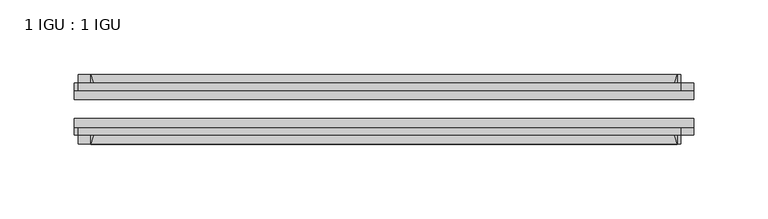
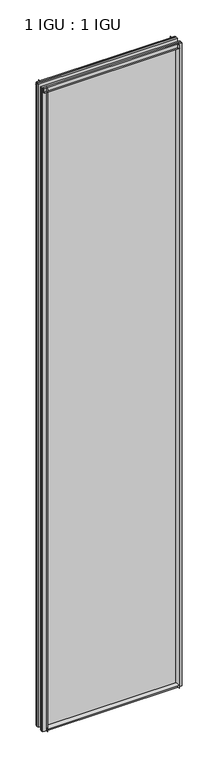
"""IFC4 building model written with IfcOpenShell, lengths in millimetres: plate geometry, 1 IGU : 1 IGU."""

from ifc_helpers import new_model, si_unit, point, frame, frame_2d, origin, place, context, project, spatial, polyline, circle_curve, trimmed, segment, composite_curve, outline, extrude, source, transform, mapped, element, save


def plate_1_igu_1_igu_93b20c84(model_context):
    return source(origin(), model_context, "Body", "SweptSolid", [
        extrude(outline(composite_curve([segment(polyline([(-74.6252, -8.73125), (-74.6252, -0.0097454), (-80.6504332, -0.0097454)]), True, "CONTINUOUS"), segment(trimmed(circle_curve(frame_2d((-86.2258203, 32.2797688)), 32.7673262), [point((-80.6504332, -0.0097454))], [point((-69.85, 3.8979053))], True, "CARTESIAN"), True, "CONTINUOUS"), segment(polyline([(-69.85, 3.8979053), (-69.85, -8.73125), (-74.6252, -8.73125)]), True, "CONTINUOUS")], self_intersect=False)), frame((-196.85, 0.0, 0.0), z_axis=(1.0, 0.0, 0.0), x_axis=(0.0, 1.0, 0.0)), (0.0, 0.0, 1.0), 393.7),
        extrude(outline(composite_curve([segment(polyline([(-39.6748, -8.73125), (-44.45, -8.73125), (-44.45, 3.8979053)]), True, "CONTINUOUS"), segment(trimmed(circle_curve(frame_2d((-28.0741797, 32.2797688)), 32.7673262), [point((-44.45, 3.8979053))], [point((-33.6495668, -0.0097454))], True, "CARTESIAN"), True, "CONTINUOUS"), segment(polyline([(-33.6495668, -0.0097454), (-39.6748, -0.0097454), (-39.6748, -8.73125)]), True, "CONTINUOUS")], self_intersect=False)), frame((-196.85, 0.0, 0.0), z_axis=(1.0, 0.0, 0.0), x_axis=(0.0, 1.0, 0.0)), (0.0, 0.0, 1.0), 393.7),
        extrude(outline(composite_curve([segment(polyline([(-80.5942, 2008.98125), (-74.6252, 2008.98125), (-74.6252, 2020.09375), (-69.85, 2020.09375), (-69.85, 2005.0833595)]), True, "CONTINUOUS"), segment(trimmed(circle_curve(frame_2d((-86.2258203, 1976.701496)), 32.7673262), [point((-69.85, 2005.0833595))], [point((-80.5942, 2008.98125))], True, "CARTESIAN"), True, "CONTINUOUS")], self_intersect=False)), frame((-205.3627386, 0.0, 0.0), z_axis=(1.0, 0.0, 0.0), x_axis=(0.0, 1.0, 0.0)), (0.0, 0.0, 1.0), 404.7587001),
        extrude(outline(composite_curve([segment(polyline([(-39.6748, 2020.09375), (-39.6748, 2008.98125), (-33.7058, 2008.98125)]), True, "CONTINUOUS"), segment(trimmed(circle_curve(frame_2d((-28.0741797, 1976.701496)), 32.7673262), [point((-33.7058, 2008.98125))], [point((-44.45, 2005.0833595))], True, "CARTESIAN"), True, "CONTINUOUS"), segment(polyline([(-44.45, 2005.0833595), (-44.45, 2020.09375), (-39.6748, 2020.09375)]), True, "CONTINUOUS")], self_intersect=False)), frame((-205.3627386, 0.0, 0.0), z_axis=(1.0, 0.0, 0.0), x_axis=(0.0, 1.0, 0.0)), (0.0, 0.0, 1.0), 404.7587001),
        extrude(outline(composite_curve([segment(polyline([(207.9625, -39.6748), (207.9625, -44.45), (192.9521095, -44.45)]), True, "CONTINUOUS"), segment(trimmed(circle_curve(frame_2d((164.570246, -28.0741797)), 32.7673262), [point((192.9521095, -44.45))], [point((196.85, -33.7058))], True, "CARTESIAN"), True, "CONTINUOUS"), segment(polyline([(196.85, -33.7058), (196.85, -39.6748), (207.9625, -39.6748)]), True, "CONTINUOUS")], self_intersect=False)), frame((0.0, 0.0, -8.73125), z_axis=(0.0, 0.0, 1.0), x_axis=(1.0, 0.0, 0.0)), (0.0, 0.0, 1.0), 2028.825),
        extrude(outline(composite_curve([segment(polyline([(207.9625, -69.85), (207.9625, -74.6252), (196.85, -74.6252), (196.85, -80.5942)]), True, "CONTINUOUS"), segment(trimmed(circle_curve(frame_2d((164.570246, -86.2258203)), 32.7673262), [point((196.85, -80.5942))], [point((192.9521095, -69.85))], True, "CARTESIAN"), True, "CONTINUOUS"), segment(polyline([(192.9521095, -69.85), (207.9625, -69.85)]), True, "CONTINUOUS")], self_intersect=False)), frame((0.0, 0.0, -8.73125), z_axis=(0.0, 0.0, 1.0), x_axis=(1.0, 0.0, 0.0)), (0.0, 0.0, 1.0), 2028.825),
        extrude(outline(composite_curve([segment(polyline([(-207.9625, -39.6748), (-196.85, -39.6748), (-196.85, -33.7058)]), True, "CONTINUOUS"), segment(trimmed(circle_curve(frame_2d((-164.570246, -28.0741797)), 32.7673262), [point((-196.85, -33.7058))], [point((-192.9521095, -44.45))], True, "CARTESIAN"), True, "CONTINUOUS"), segment(polyline([(-192.9521095, -44.45), (-207.9625, -44.45), (-207.9625, -39.6748)]), True, "CONTINUOUS")], self_intersect=False)), frame((0.0, 0.0, -8.73125), z_axis=(0.0, 0.0, 1.0), x_axis=(1.0, 0.0, 0.0)), (0.0, 0.0, 1.0), 2028.825),
        extrude(outline(composite_curve([segment(polyline([(-207.9625, -74.6252), (-207.9625, -69.85), (-192.9521095, -69.85)]), True, "CONTINUOUS"), segment(trimmed(circle_curve(frame_2d((-164.570246, -86.2258203)), 32.7673262), [point((-192.9521095, -69.85))], [point((-196.85, -80.5942))], True, "CARTESIAN"), True, "CONTINUOUS"), segment(polyline([(-196.85, -80.5942), (-196.85, -74.6252), (-207.9625, -74.6252)]), True, "CONTINUOUS")], self_intersect=False)), frame((0.0, 0.0, -8.73125), z_axis=(0.0, 0.0, 1.0), x_axis=(1.0, 0.0, 0.0)), (0.0, 0.0, 1.0), 2028.825),
        extrude(outline(polyline([(-207.9625, -69.85), (-207.9625, -63.5508), (207.9625, -63.5508), (207.9625, -69.85), (-207.9625, -69.85)])), frame((0.0, 0.0, -8.73125), z_axis=(0.0, 0.0, 1.0), x_axis=(1.0, 0.0, 0.0)), (0.0, 0.0, 1.0), 2028.825),
        extrude(outline(polyline([(207.9625, -50.7492), (-207.9625, -50.7492), (-207.9625, -44.45), (207.9625, -44.45), (207.9625, -50.7492)])), frame((0.0, 0.0, -8.73125), z_axis=(0.0, 0.0, 1.0), x_axis=(1.0, 0.0, 0.0)), (0.0, 0.0, 1.0), 2028.825),
    ])


if __name__ == "__main__":
    model = new_model("IFC4")
    model_context = context("Model", 3, world=origin())
    ifc_project = project(units=[si_unit("LENGTHUNIT", "METRE", prefix="MILLI")], contexts=[model_context])
    site = spatial("IfcSite", under=ifc_project)
    building = spatial("IfcBuilding", under=site)
    placement = place(None, origin())
    plate_1_igu_1_igu_shape = plate_1_igu_1_igu_93b20c84(model_context)
    element("IfcPlate", 1, ObjectType="1 IGU : 1 IGU", at=placement, inside=building, context=model_context, shape_type="MappedRepresentation", body=[
        mapped(plate_1_igu_1_igu_shape, transform((0.0, 0.0, 0.0), x_axis=(1.0, 0.0, 0.0), y_axis=(0.0, 1.0, 0.0), z_axis=(0.0, 0.0, 1.0))),
    ])
    save(model, "model.ifc")
